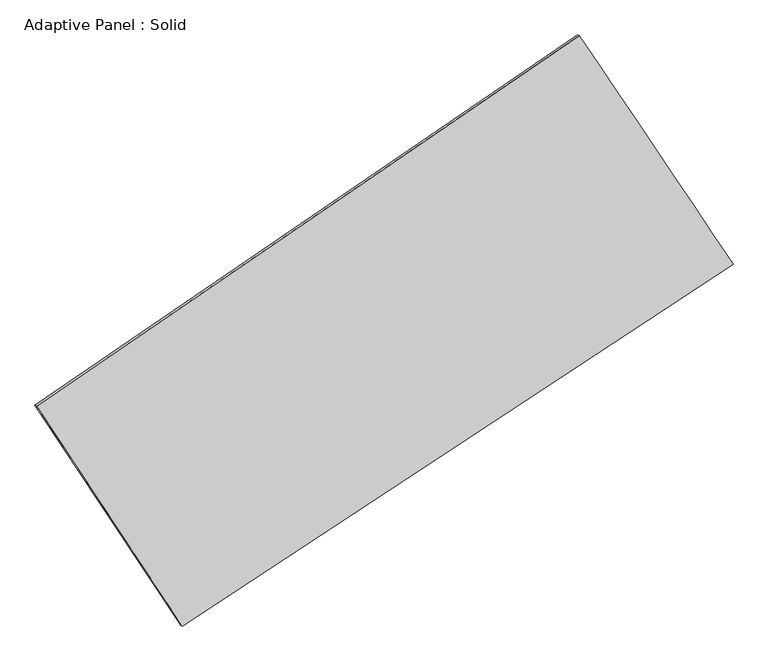
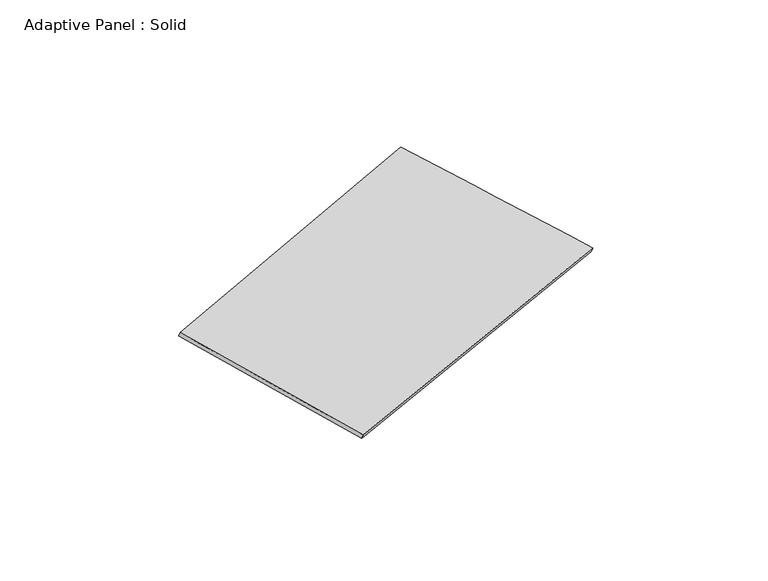
"""IFC4 building model written with IfcOpenShell, lengths in millimetres: plate geometry, Adaptive Panel : Solid."""

import ifcopenshell
import ifcopenshell.guid

model = None  # the IFC model being written
_history = None  # IfcOwnerHistory: only IFC2X3 demands one
_inside = {}  # id of a spatial element -> (the spatial element, [elements in it])
_under = {}  # id of a project, library or spatial element -> (it, [spatial elements below it])
_declared = {}  # id of a project -> (the project, [libraries it declares])
_typed = {}  # id of a type object -> (the type object, [elements of that type])
_made_of = {}  # id of a material, layer set ... -> (it, [elements and type objects made of it])


def new_model(schema):
    """Start an empty IFC model of exactly this schema.

    Asked for "IFC4X3", IfcOpenShell would pick the latest addendum, in which some entities
    have other attributes; the version numbers below select the first issue.
    IFC2X3 requires an IfcOwnerHistory on every rooted entity: one is made here for all.
    """
    global model, _history
    if schema == "IFC4X3":
        model = ifcopenshell.file(schema_version=(4, 3, 0, 0))
    else:
        model = ifcopenshell.file(schema=schema)
    _inside.clear()
    _under.clear()
    _declared.clear()
    _typed.clear()
    _made_of.clear()
    _history = None
    if model.schema == "IFC2X3":
        org = make("IfcOrganization", Name="unknown")
        user = make(
            "IfcPersonAndOrganization",
            ThePerson=make("IfcPerson", FamilyName="unknown"),
            TheOrganization=org,
        )
        app = make(
            "IfcApplication",
            ApplicationDeveloper=org,
            Version="unknown",
            ApplicationFullName="unknown",
            ApplicationIdentifier="unknown",
        )
        _history = make(
            "IfcOwnerHistory",
            OwningUser=user,
            OwningApplication=app,
            ChangeAction="ADDED",
            CreationDate=0,
        )
    return model


def make(cls, **values):
    """One entity of the class cls with the attributes given. An attribute that is None is left unset."""
    return model.create_entity(
        cls, **{name: value for name, value in values.items() if value is not None}
    )


def rooted(cls, **values):
    """An entity with a GlobalId (a new one), such as an element, a storey or a relation."""
    return make(cls, GlobalId=ifcopenshell.guid.new(), OwnerHistory=_history, **values)


def si_unit(unit_type, name, prefix=None):
    """IfcSIUnit, for example si_unit("LENGTHUNIT", "METRE", prefix="MILLI")."""
    return make("IfcSIUnit", UnitType=unit_type, Prefix=prefix, Name=name)


def assignment(units):
    """IfcUnitAssignment: the units of a project."""
    return None if units is None else make("IfcUnitAssignment", Units=units)


def point(xyz):
    """IfcCartesianPoint."""
    return None if xyz is None else make("IfcCartesianPoint", Coordinates=xyz)


def direction(xyz):
    """IfcDirection."""
    return None if xyz is None else make("IfcDirection", DirectionRatios=xyz)


def frame(location, z_axis=None, x_axis=None):
    """IfcAxis2Placement3D, a coordinate frame: its origin and axes. An axis left out is left unset."""
    return make(
        "IfcAxis2Placement3D",
        Location=point(location),
        Axis=direction(z_axis),
        RefDirection=direction(x_axis),
    )


def origin():
    """The frame at (0, 0, 0) with its axes left unset."""
    return frame((0.0, 0.0, 0.0))


def place(relative_to, where):
    """IfcLocalPlacement: puts the frame where relative to a parent placement (None: the world)."""
    return make(
        "IfcLocalPlacement", PlacementRelTo=relative_to, RelativePlacement=where
    )


def context(
    kind, dimensions, precision=None, world=None, true_north=None, identifier=None
):
    """IfcGeometricRepresentationContext, for example the 3D "Model" context."""
    return make(
        "IfcGeometricRepresentationContext",
        ContextIdentifier=identifier,
        ContextType=kind,
        CoordinateSpaceDimension=dimensions,
        Precision=precision,
        WorldCoordinateSystem=world,
        TrueNorth=true_north,
    )


def project(units=None, contexts=None):
    """IfcProject with its units and contexts."""
    return rooted(
        "IfcProject",
        Name="project",
        RepresentationContexts=contexts,
        UnitsInContext=assignment(units),
    )


def spatial(cls, under=None, at=None, **own):
    """A site, building, storey or space (cls), placed at a placement, below another one or the project."""
    s = rooted(cls, ObjectPlacement=at, **own)
    if under is not None:
        _under.setdefault(under.id(), (under, []))[1].append(s)
    return s


def shape(context_of_items, identifier, shape_type, items):
    """IfcShapeRepresentation: the items that make up one representation, for example the "Body"."""
    return make(
        "IfcShapeRepresentation",
        ContextOfItems=context_of_items,
        RepresentationIdentifier=identifier,
        RepresentationType=shape_type,
        Items=items,
    )


def source(mapping_origin, context_of_items, identifier, shape_type, items):
    """IfcRepresentationMap: a shape defined once, which mapped items show again and again."""
    return make(
        "IfcRepresentationMap",
        MappingOrigin=mapping_origin,
        MappedRepresentation=shape(context_of_items, identifier, shape_type, items),
    )


def transform(
    local_origin,
    x_axis=None,
    y_axis=None,
    z_axis=None,
    scale=None,
    scale2=None,
    scale3=None,
    uniform=True,
):
    """IfcCartesianTransformationOperator3D, or its non-uniform kind. x_axis, y_axis, z_axis: its Axis1, 2, 3."""
    if uniform:
        return make(
            "IfcCartesianTransformationOperator3D",
            Axis1=direction(x_axis),
            Axis2=direction(y_axis),
            LocalOrigin=point(local_origin),
            Scale=scale,
            Axis3=direction(z_axis),
        )
    return make(
        "IfcCartesianTransformationOperator3DnonUniform",
        Axis1=direction(x_axis),
        Axis2=direction(y_axis),
        LocalOrigin=point(local_origin),
        Scale=scale,
        Axis3=direction(z_axis),
        Scale2=scale2,
        Scale3=scale3,
    )


def mapped(mapping_source, mapping_target):
    """IfcMappedItem: shows the shape of a source again, moved by a transform."""
    return make(
        "IfcMappedItem", MappingSource=mapping_source, MappingTarget=mapping_target
    )


def made_of(thing, what):
    """Note that an element or type object is made of a material, layer set ...; save() writes the relation."""
    if what is not None:
        _made_of.setdefault(what.id(), (what, []))[1].append(thing)
    return thing


def element(
    cls,
    number,
    at=None,
    inside=None,
    cuts=None,
    type_object=None,
    material=None,
    context=None,
    identifier="Body",
    shape_type=None,
    held_by="IfcProductDefinitionShape",
    body=None,
    shapes=None,
    **own,
):
    """One element of the class cls, such as IfcWall. Its Tag is "e" and its number.

    at: its placement. inside: the storey or other place that contains it. cuts: it is an
    opening in that element (IfcRelVoidsElement). A single representation is given by context,
    identifier, shape_type and body (its items); several are given by shapes. held_by: the class
    of the entity that holds the representations. save() writes the other relations.
    """
    e = rooted(cls, Tag="e%d" % number, ObjectPlacement=at, **own)
    if body is not None:
        shapes = [shape(context, identifier, shape_type, body)]
    if shapes is not None:
        e.Representation = make(held_by, Representations=shapes)
    if inside is not None:
        _inside.setdefault(inside.id(), (inside, []))[1].append(e)
    if cuts is not None:
        rooted(
            "IfcRelVoidsElement", RelatingBuildingElement=cuts, RelatedOpeningElement=e
        )
    if type_object is not None:
        _typed.setdefault(type_object.id(), (type_object, []))[1].append(e)
    return made_of(e, material)


def aggregate(whole, parts):
    """IfcRelAggregates: a whole, such as a stair, and the parts it consists of."""
    return rooted("IfcRelAggregates", RelatingObject=whole, RelatedObjects=parts)


def save(model, path):
    """Write the relations noted so far, then the file.

    IfcRelAggregates (storeys below a building ...), IfcRelContainedInSpatialStructure (elements
    in a storey), IfcRelDefinesByType, IfcRelAssociatesMaterial and IfcRelDeclares: one each for
    every whole, place, type object, material and project.
    """
    for whole, parts in _under.values():
        aggregate(whole, parts)
    for where, things in _inside.values():
        rooted(
            "IfcRelContainedInSpatialStructure",
            RelatedElements=things,
            RelatingStructure=where,
        )
    for kind, things in _typed.values():
        rooted("IfcRelDefinesByType", RelatedObjects=things, RelatingType=kind)
    for what, things in _made_of.values():
        rooted("IfcRelAssociatesMaterial", RelatedObjects=things, RelatingMaterial=what)
    for by, libraries in _declared.values():
        rooted("IfcRelDeclares", RelatingContext=by, RelatedDefinitions=libraries)
    model.write(path)


def plane_surface(at):
    """IfcPlane: the flat surface through the origin of the frame at, square to its z axis."""
    return make("IfcPlane", Position=at)


def spline_surface(u_degree, v_degree, points, u_multiplicities, v_multiplicities, u_knots, v_knots, weights=None):
    """IfcBSplineSurfaceWithKnots; with weights, IfcRationalBSplineSurfaceWithKnots. points: one row for each step in u."""
    own = dict(
        UDegree=u_degree,
        VDegree=v_degree,
        ControlPointsList=[[point(p) for p in row] for row in points],
        SurfaceForm="UNSPECIFIED",
        UClosed=False,
        VClosed=False,
        SelfIntersect=False,
        UMultiplicities=u_multiplicities,
        VMultiplicities=v_multiplicities,
        UKnots=u_knots,
        VKnots=v_knots,
        KnotSpec="UNSPECIFIED",
    )
    if weights is None:
        return make("IfcBSplineSurfaceWithKnots", **own)
    return make("IfcRationalBSplineSurfaceWithKnots", WeightsData=weights, **own)


def advanced_brep(points, edges, surfaces, faces):
    """IfcAdvancedBrep: a solid bounded by faces that lie on surfaces and meet in shared edges.

    An edge is (start, end): straight between two places in points (the first is 0);
    or (start, end, curve); or (start, end, curve, False) where it runs against its curve.
    A face is (place in surfaces, loops), or (place, loops, False) where it looks against
    its surface's normal. A loop lists edges by number (the first is 1), with a minus sign
    where the edge is run from its end to its start. The first loop is the outer one.
    """
    corners = [point(p) for p in points]
    vertices = [make("IfcVertexPoint", VertexGeometry=c) for c in corners]
    made = []
    for start, end, *more in edges:
        made.append(
            make(
                "IfcEdgeCurve",
                EdgeStart=vertices[start],
                EdgeEnd=vertices[end],
                EdgeGeometry=more[0] if more else make("IfcPolyline", Points=[corners[start], corners[end]]),
                SameSense=more[1] if len(more) > 1 else True,
            )
        )
    hull = []
    for where, loops, *sense in faces:
        bounds = []
        for j, loop in enumerate(loops):
            ring = [make("IfcOrientedEdge", EdgeElement=made[abs(k) - 1], Orientation=k > 0) for k in loop]
            bounds.append(
                make(
                    "IfcFaceOuterBound" if j == 0 else "IfcFaceBound",
                    Bound=make("IfcEdgeLoop", EdgeList=ring),
                    Orientation=True,
                )
            )
        hull.append(make("IfcAdvancedFace", Bounds=bounds, FaceSurface=surfaces[where], SameSense=sense[0] if sense else True))
    return make("IfcAdvancedBrep", Outer=make("IfcClosedShell", CfsFaces=hull))


def adaptive_panel_solid_41b0fb65(model_context):
    return source(origin(), model_context, "Body", "AdvancedBrep", [
        advanced_brep(
        [(1081.558962, 2520.4813526, 669.9840189), (-3702.7361884, -745.3517062, 1747.7567308), (-3688.0698326, -751.7317996, 1795.1296389), (1096.2253178, 2514.1012591, 717.3569269), (-2417.87496, -2682.6091163, 1052.0182921), (-2403.2086041, -2688.9892097, 1099.3912001), (2435.7616082, 507.230897, 15.3634785), (2450.427964, 500.8508035, 62.7363865)],
        [
            (0, 1),
            (1, 2),
            (2, 3),
            (3, 0),
            (1, 4),
            (4, 5),
            (5, 2),
            (4, 6),
            (6, 7),
            (7, 5),
            (6, 0),
            (3, 7),
        ],
        [
            plane_surface(frame((-1310.5886132, 887.5648232, 1208.8703749), z_axis=(-0.5018192923149428, 0.8229917653978488, 0.2661990832964355), x_axis=(-0.8119859183453371, -0.5542740094475586, 0.18291853612963258))),
            plane_surface(frame((-3060.3055742, -1713.9804112, 1399.8875115), z_axis=(-0.7930977871617736, -0.5858569279289496, 0.1666360105041883), x_axis=(0.529512851163332, -0.7983762541396271, -0.28672547371807866))),
            plane_surface(frame((8.9433241, -1087.6891096, 533.6908853), z_axis=(0.48984968944640306, -0.8310093096644198, -0.2635731568280939), x_axis=(0.8226795664594373, 0.5406701062872936, -0.1757104638244373))),
            plane_surface(frame((1758.6602851, 1513.8561248, 342.6737487), z_axis=(0.7923275850931624, 0.5870097931315718, -0.16624229506376198), x_axis=(-0.5388617693340552, 0.8011088337634185, 0.2604853739010836))),
            spline_surface(1, 1, [[(-3688.0698326, -751.7317996, 1795.1296389), (1096.2253178, 2514.1012591, 717.3569269)], [(-2403.2086041, -2688.9892097, 1099.3912001), (2450.427964, 500.8508035, 62.7363865)]], [2, 2], [2, 2], [0.0, 1.0], [0.0, 1.0]),
            spline_surface(1, 1, [[(2435.7616082, 507.230897, 15.3634785), (1081.558962, 2520.4813526, 669.9840189)], [(-2417.87496, -2682.6091163, 1052.0182921), (-3702.7361884, -745.3517062, 1747.7567308)]], [2, 2], [2, 2], [0.0, 1.0], [0.0, 1.0]),
        ],
        [
            (0, [[1, 2, 3, 4]]),
            (1, [[5, 6, 7, -2]]),
            (2, [[8, 9, 10, -6]]),
            (3, [[11, -4, 12, -9]]),
            (4, [[-3, -7, -10, -12]]),
            (5, [[-11, -8, -5, -1]]),
        ],
    ),
    ])


if __name__ == "__main__":
    model = new_model("IFC4")
    model_context = context("Model", 3, world=origin())
    ifc_project = project(units=[si_unit("LENGTHUNIT", "METRE", prefix="MILLI")], contexts=[model_context])
    site = spatial("IfcSite", under=ifc_project)
    building = spatial("IfcBuilding", under=site)
    placement = place(None, origin())
    adaptive_panel_solid_shape = adaptive_panel_solid_41b0fb65(model_context)
    element("IfcPlate", 1, ObjectType="Adaptive Panel : Solid", at=placement, inside=building, context=model_context, shape_type="MappedRepresentation", body=[
        mapped(adaptive_panel_solid_shape, transform((0.0, 0.0, 0.0), x_axis=(1.0, 0.0, 0.0), y_axis=(0.0, 1.0, 0.0), z_axis=(0.0, 0.0, 1.0))),
    ])
    save(model, "model.ifc")
